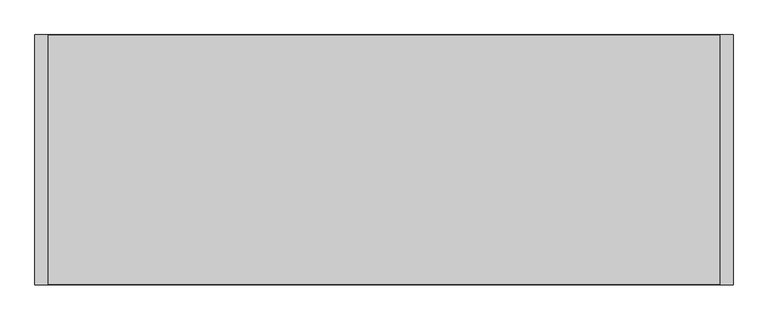
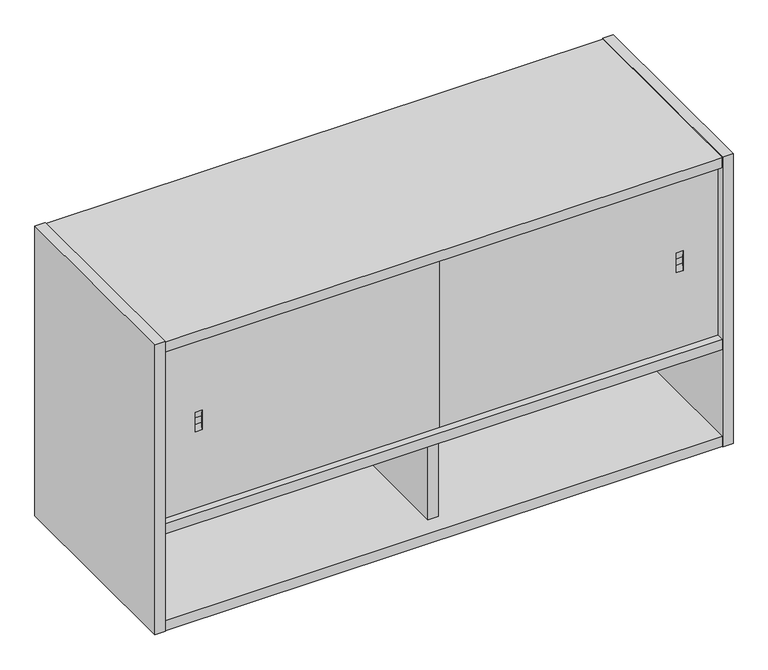
"""IFC4 building model written with IfcOpenShell, lengths in millimetres: furniture geometry."""

from ifc_helpers import new_model, si_unit, frame, origin, place, context, project, spatial, polyline, outline, extrude, faceted_brep, source, transform, mapped, element, save


def furniture_7d8a7853(model_context):
    return source(origin(), model_context, "Body", "SolidModel", [
        faceted_brep([(98.0439973, -363.9830881, 1509.3728122), (98.0439973, -363.9830881, 1496.5647822), (98.0439973, -366.0139961, 1483.9188063), (98.0439973, -366.0139961, 1522.0188063), (85.3440004, -363.9830881, 1509.3728122), (85.3440004, -366.0139961, 1522.0188063), (85.3440004, -366.0139961, 1483.9188063), (85.3440004, -363.9830881, 1496.5647822), (533.4, -356.4889961, 1335.7098114), (533.4, -356.4889961, 1670.2278012), (533.4, -366.0139961, 1670.2278012), (533.4, -366.0139961, 1335.7098114), (21.8439996, -356.4889961, 1335.7098114), (21.8439996, -366.0139961, 1335.7098114), (21.8439996, -366.0139961, 1670.2278012), (21.8439996, -356.4889961, 1670.2278012)], [[[0, 1, 2, 3]], [[4, 5, 6, 7]], [[0, 3, 5, 4]], [[2, 1, 7, 6]], [[1, 0, 4, 7]], [[8, 9, 10, 11]], [[12, 13, 14, 15]], [[9, 8, 12, 15]], [[10, 9, 15, 14]], [[11, 10, 14, 13], [3, 2, 6, 5]], [[8, 11, 13, 12]]]),
        faceted_brep([(1044.9560004, -356.4889961, 1670.2278012), (1044.9560004, -366.0139961, 1670.2278012), (1044.9560004, -366.0139961, 1335.7098114), (1044.9560004, -356.4889961, 1335.7098114), (533.4, -356.4889961, 1670.2278012), (533.4, -356.4889961, 1335.7098114), (533.4, -366.0139961, 1335.7098114), (533.4, -366.0139961, 1670.2278012), (968.7560027, -366.0139961, 1483.9188063), (968.7560027, -366.0139961, 1522.0188063), (981.4559996, -366.0139961, 1522.0188063), (981.4559996, -366.0139961, 1483.9188063), (968.7560027, -363.9830881, 1509.3728122), (968.7560027, -363.9830881, 1496.5647822), (981.4559996, -363.9830881, 1509.3728122), (981.4559996, -363.9830881, 1496.5647822)], [[[0, 1, 2, 3]], [[4, 5, 6, 7]], [[1, 0, 4, 7]], [[2, 1, 7, 6], [8, 9, 10, 11]], [[3, 2, 6, 5]], [[0, 3, 5, 4]], [[12, 9, 8, 13]], [[14, 15, 11, 10]], [[9, 12, 14, 10]], [[13, 8, 11, 15]], [[12, 13, 15, 14]]]),
        extrude(outline(polyline([(21.8439996, -381.0), (2.5400001, -381.0), (2.5400001, 0.0), (21.8439996, 0.0), (21.8439996, -381.0)])), frame((0.0, 0.0, 1127.5568002), z_axis=(0.0, 0.0, 1.0), x_axis=(1.0, 0.0, 0.0)), (0.0, 0.0, 1.0), 562.737),
        extrude(outline(polyline([(0.0, 1587.6777982), (-11.938, 1599.6157959), (-11.938, 1670.2278012), (0.0, 1670.2278012), (0.0, 1587.6777982)])), frame((21.8439996, 0.0, 0.0), z_axis=(1.0, 0.0, 0.0), x_axis=(0.0, 1.0, 0.0)), (0.0, 0.0, 1.0), 1023.1120008),
        extrude(outline(polyline([(543.0520271, -346.0749879), (523.7479729, -346.0749879), (523.7479729, -31.2419997), (543.0520271, -31.2419997), (543.0520271, -346.0749879)])), frame((0.0, 0.0, 1147.6228002), z_axis=(0.0, 0.0, 1.0), x_axis=(1.0, 0.0, 0.0)), (0.0, 0.0, 1.0), 522.605001),
        extrude(outline(polyline([(1044.9560004, -380.2379826), (21.8439996, -380.2379826), (21.8439996, -0.762), (1044.9560004, -0.762), (1044.9560004, -380.2379826)])), frame((0.0, 0.0, 1316.4057934), z_axis=(0.0, 0.0, 1.0), x_axis=(1.0, 0.0, 0.0)), (0.0, 0.0, 1.0), 19.3040179),
        extrude(outline(polyline([(1044.9560004, -11.938), (1044.9560004, -31.2419997), (21.8439996, -31.2419997), (21.8439996, -11.938), (1044.9560004, -11.938)])), frame((0.0, 0.0, 1147.6228002), z_axis=(0.0, 0.0, 1.0), x_axis=(1.0, 0.0, 0.0)), (0.0, 0.0, 1.0), 522.605001),
        extrude(outline(polyline([(1044.9560004, -380.2379826), (21.8439996, -380.2379826), (21.8439996, -31.2419997), (1044.9560004, -31.2419997), (1044.9560004, -380.2379826)])), frame((0.0, 0.0, 1128.3188002), z_axis=(0.0, 0.0, 1.0), x_axis=(1.0, 0.0, 0.0)), (0.0, 0.0, 1.0), 19.304),
        extrude(outline(polyline([(1064.2600024, -381.0), (1044.9560004, -381.0), (1044.9560004, 0.0), (1064.2600024, 0.0), (1064.2600024, -381.0)])), frame((0.0, 0.0, 1127.5568002), z_axis=(0.0, 0.0, 1.0), x_axis=(1.0, 0.0, 0.0)), (0.0, 0.0, 1.0), 562.737),
        extrude(outline(polyline([(1044.9560004, -380.2379826), (21.8439996, -380.2379826), (21.8439996, -0.762), (1044.9560004, -0.762), (1044.9560004, -380.2379826)])), frame((0.0, 0.0, 1670.2278012), z_axis=(0.0, 0.0, 1.0), x_axis=(1.0, 0.0, 0.0)), (0.0, 0.0, 1.0), 19.303999),
    ])


if __name__ == "__main__":
    model = new_model("IFC4")
    model_context = context("Model", 3, world=origin())
    ifc_project = project(units=[si_unit("LENGTHUNIT", "METRE", prefix="MILLI")], contexts=[model_context])
    site = spatial("IfcSite", under=ifc_project)
    building = spatial("IfcBuilding", under=site)
    placement = place(None, origin())
    furniture_shape = furniture_7d8a7853(model_context)
    element("IfcFurniture", 1, at=placement, inside=building, context=model_context, shape_type="MappedRepresentation", body=[
        mapped(furniture_shape, transform((0.0, 0.0, 0.0), x_axis=(1.0, 0.0, 0.0), y_axis=(0.0, 1.0, 0.0), z_axis=(0.0, 0.0, 1.0))),
    ])
    save(model, "model.ifc")
